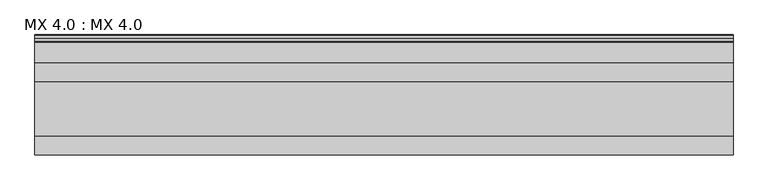
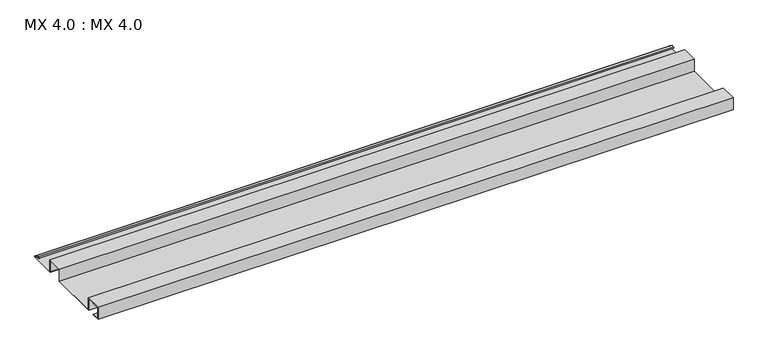
"""IFC4 building model written with IfcOpenShell, lengths in millimetres: proxy geometry, MX 4.0 : MX 4.0."""

from ifc_helpers import new_model, si_unit, point, frame, frame_2d, origin, place, context, project, spatial, polyline, circle_curve, trimmed, segment, composite_curve, outline, extrude, source, transform, mapped, element, save


def mx_4_0_mx_4_0_15406566(model_context):
    return source(origin(), model_context, "Body", "SweptSolid", [
        extrude(outline(composite_curve([segment(polyline([(0.0, 0.0), (0.0, 38.0), (50.0, 38.0), (50.0, 0.0), (200.0, 0.0), (200.0, 38.0), (250.0, 38.0), (250.0, 0.0), (325.0510156, 0.0)]), True, "CONTINUOUS"), segment(trimmed(circle_curve(frame_2d((324.3094696, 1.9153551)), 2.0538928), [point((325.0510156, 0.0))], [point((325.1748462, 3.778041))], True, "CARTESIAN"), True, "CONTINUOUS"), segment(polyline([(325.1748462, 3.778041), (308.7874714, 6.923107)]), True, "CONTINUOUS"), segment(trimmed(circle_curve(frame_2d((309.4078886, 8.6005442)), 1.7884947), [point((308.7874714, 6.923107))], [point((308.9525789, 10.3301125))], False, "CARTESIAN"), True, "CONTINUOUS"), segment(polyline([(308.9525789, 10.3301125), (316.459338, 11.6715995), (316.635255, 10.6871945), (309.1762081, 9.3542338)]), True, "CONTINUOUS"), segment(trimmed(circle_curve(frame_2d((309.4078886, 8.6005442)), 0.7884947), [point((309.1762081, 9.3542338))], [point((309.0735117, 7.8864603))], True, "CARTESIAN"), True, "CONTINUOUS"), segment(polyline([(309.0735117, 7.8864603), (325.4722719, 4.7392091)]), True, "CONTINUOUS"), segment(trimmed(circle_curve(frame_2d((324.3094696, 1.9153551)), 3.0538928), [point((325.4722719, 4.7392091))], [point((325.2188462, -1.0))], False, "CARTESIAN"), True, "CONTINUOUS"), segment(polyline([(325.2188462, -1.0), (249.0, -1.0), (249.0, 37.0), (201.0, 37.0), (201.0, -1.0), (49.0, -1.0), (49.0, 37.0), (1.0, 37.0), (1.0, 1.0), (25.0, 1.0), (25.0, 0.0), (0.0, 0.0)]), True, "CONTINUOUS")], self_intersect=False)), frame((0.0, 0.0, 0.0), z_axis=(1.0, 0.0, 0.0), x_axis=(0.0, 1.0, 0.0)), (0.0, 0.0, 1.0), 1900.0),
    ])


if __name__ == "__main__":
    model = new_model("IFC4")
    model_context = context("Model", 3, world=origin())
    ifc_project = project(units=[si_unit("LENGTHUNIT", "METRE", prefix="MILLI")], contexts=[model_context])
    site = spatial("IfcSite", under=ifc_project)
    building = spatial("IfcBuilding", under=site)
    placement = place(None, origin())
    mx_4_0_mx_4_0_shape = mx_4_0_mx_4_0_15406566(model_context)
    element("IfcBuildingElementProxy", 1, Name="MX 4.0 : MX 4.0", ObjectType="MX 4.0 : MX 4.0", at=placement, inside=building, context=model_context, shape_type="MappedRepresentation", body=[
        mapped(mx_4_0_mx_4_0_shape, transform((0.0, 0.0, 0.0), x_axis=(1.0, 0.0, 0.0), y_axis=(0.0, 1.0, 0.0), z_axis=(0.0, 0.0, 1.0))),
    ])
    save(model, "model.ifc")
